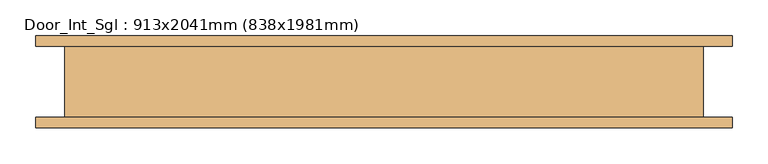
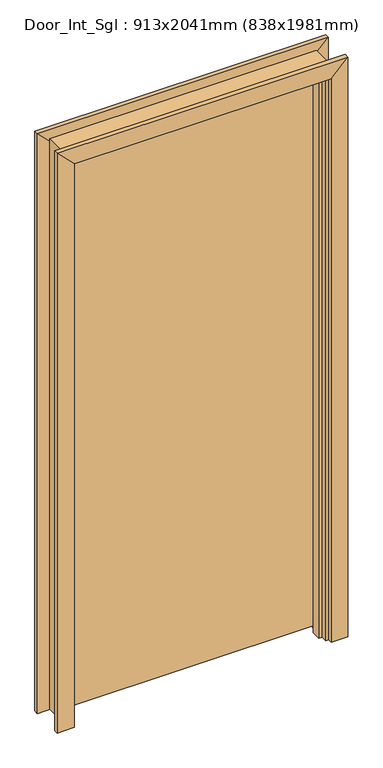
"""IFC4 building model written with IfcOpenShell, lengths in millimetres: door geometry, Door_Int_Sgl : 913x2041mm (838x1981mm)."""

from ifc_helpers import new_model, si_unit, frame, origin, place, context, project, spatial, polyline, outline, extrude, faceted_brep, source, transform, mapped, element, save


def door_int_sgl_913x2041mm_838x1981mm_e030fca9(model_context):
    return source(origin(), model_context, "Body", "SolidModel", [
        extrude(outline(polyline([(419.0, 6.0), (-419.0, 6.0), (-419.0, 50.0), (419.0, 50.0), (419.0, 6.0)])), frame((0.0, 0.0, 22.5), z_axis=(0.0, 0.0, 1.0), x_axis=(1.0, 0.0, 0.0)), (0.0, 0.0, 1.0), 1981.0),
        faceted_brep([(-424.0, 50.0, 0.0), (-424.0, -50.0, 0.0), (-449.0, -50.0, 0.0), (-449.0, 50.0, 0.0), (-424.0, 50.0, 2008.5), (-424.0, -50.0, 2008.5), (-449.0, -50.0, 2033.5), (-449.0, 50.0, 2033.5), (424.0, 50.0, 0.0), (449.0, 50.0, 0.0), (449.0, -50.0, 0.0), (424.0, -50.0, 0.0), (424.0, 50.0, 2008.5), (449.0, 50.0, 2033.5), (449.0, -50.0, 2033.5), (424.0, -50.0, 2008.5)], [[[0, 1, 2, 3]], [[1, 0, 4, 5]], [[2, 1, 5, 6]], [[3, 2, 6, 7]], [[0, 3, 7, 4]], [[8, 9, 10, 11]], [[12, 13, 9, 8]], [[13, 14, 10, 9]], [[14, 15, 11, 10]], [[15, 12, 8, 11]], [[5, 4, 12, 15]], [[6, 5, 15, 14]], [[7, 6, 14, 13]], [[4, 7, 13, 12]]]),
        faceted_brep([(-490.0, 65.0, 0.0), (-433.0, 65.0, 0.0), (-433.0, 50.0, 0.0), (-490.0, 50.0, 0.0), (-490.0, 65.0, 2065.5), (-433.0, 65.0, 2008.5), (-433.0, 50.0, 2008.5), (-490.0, 50.0, 2065.5), (490.0, 65.0, 0.0), (490.0, 50.0, 0.0), (433.0, 50.0, 0.0), (433.0, 65.0, 0.0), (490.0, 65.0, 2065.5), (490.0, 50.0, 2065.5), (433.0, 50.0, 2008.5), (433.0, 65.0, 2008.5)], [[[0, 1, 2, 3]], [[1, 0, 4, 5]], [[2, 1, 5, 6]], [[3, 2, 6, 7]], [[0, 3, 7, 4]], [[8, 9, 10, 11]], [[12, 13, 9, 8]], [[13, 14, 10, 9]], [[14, 15, 11, 10]], [[15, 12, 8, 11]], [[5, 4, 12, 15]], [[6, 5, 15, 14]], [[7, 6, 14, 13]], [[4, 7, 13, 12]]]),
        extrude(outline(polyline([(0.0, -424.0), (0.0, -412.0), (1991.5, -412.0), (1991.5, 412.0), (0.0, 412.0), (0.0, 424.0), (2003.5, 424.0), (2003.5, -424.0), (0.0, -424.0)])), frame((0.0, -29.0, 0.0), z_axis=(0.0, 1.0, 0.0), x_axis=(0.0, 0.0, 1.0)), (0.0, 0.0, 1.0), 32.0),
        faceted_brep([(-490.0, -65.0, 0.0), (-490.0, -50.0, 0.0), (-433.0, -50.0, 0.0), (-433.0, -65.0, 0.0), (-490.0, -65.0, 2065.5), (-490.0, -50.0, 2065.5), (-433.0, -50.0, 2008.5), (-433.0, -65.0, 2008.5), (490.0, -65.0, 0.0), (433.0, -65.0, 0.0), (433.0, -50.0, 0.0), (490.0, -50.0, 0.0), (490.0, -65.0, 2065.5), (433.0, -65.0, 2008.5), (433.0, -50.0, 2008.5), (490.0, -50.0, 2065.5)], [[[0, 1, 2, 3]], [[1, 0, 4, 5]], [[2, 1, 5, 6]], [[3, 2, 6, 7]], [[0, 3, 7, 4]], [[8, 9, 10, 11]], [[12, 13, 9, 8]], [[13, 14, 10, 9]], [[14, 15, 11, 10]], [[15, 12, 8, 11]], [[5, 4, 12, 15]], [[6, 5, 15, 14]], [[7, 6, 14, 13]], [[4, 7, 13, 12]]]),
    ])


if __name__ == "__main__":
    model = new_model("IFC4")
    model_context = context("Model", 3, world=origin())
    ifc_project = project(units=[si_unit("LENGTHUNIT", "METRE", prefix="MILLI")], contexts=[model_context])
    site = spatial("IfcSite", under=ifc_project)
    building = spatial("IfcBuilding", under=site)
    placement = place(None, origin())
    door_int_sgl_913x2041mm_838x1981mm_shape = door_int_sgl_913x2041mm_838x1981mm_e030fca9(model_context)
    element("IfcDoor", 1, ObjectType="Door_Int_Sgl : 913x2041mm (838x1981mm)", at=placement, inside=building, context=model_context, shape_type="MappedRepresentation", body=[
        mapped(door_int_sgl_913x2041mm_838x1981mm_shape, transform((0.0, 0.0, 0.0), x_axis=(1.0, 0.0, 0.0), y_axis=(0.0, 1.0, 0.0), z_axis=(0.0, 0.0, 1.0))),
    ])
    save(model, "model.ifc")
